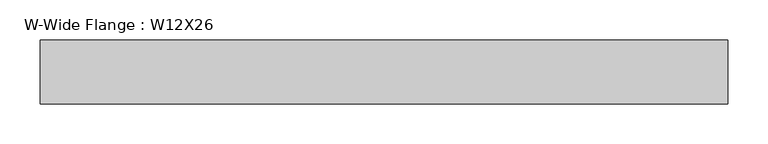
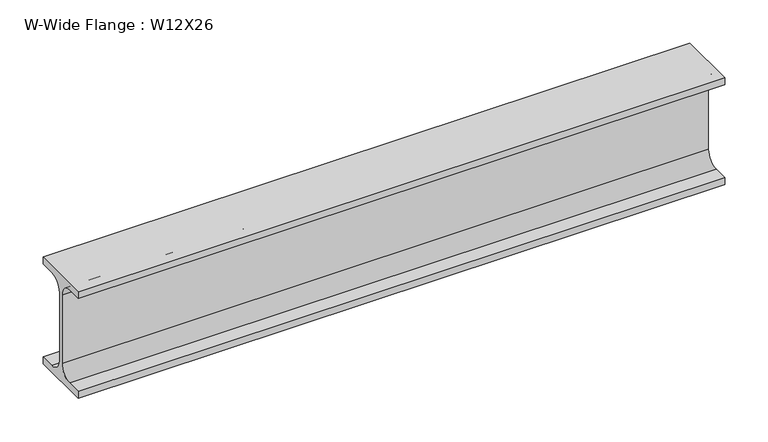
"""IFC4 building model written with IfcOpenShell, lengths in millimetres: beam geometry, W-Wide Flange : W12X26."""

from ifc_helpers import new_model, si_unit, point, frame, frame_2d, origin, place, context, project, spatial, polyline, circle_curve, trimmed, segment, composite_curve, outline, extrude, source, transform, mapped, element, save


def w_wide_flange_w12x26_3039e421(model_context):
    return source(origin(), model_context, "Body", "SweptSolid", [
        extrude(outline(composite_curve([segment(polyline([(40.0, -65.3757813), (40.0, -75.0), (-40.0, -75.0), (-40.0, -65.3757813), (-20.2902344, -65.3757813)]), True, "CONTINUOUS"), segment(trimmed(circle_curve(frame_2d((-20.2902344, -48.0125)), 17.3632812), [point((-20.2902344, -65.3757813))], [point((-2.9269531, -48.0125))], True, "CARTESIAN"), True, "CONTINUOUS"), segment(polyline([(-2.9269531, -48.0125), (-2.9269531, 48.0125)]), True, "CONTINUOUS"), segment(trimmed(circle_curve(frame_2d((-20.2902344, 48.0125)), 17.3632812), [point((-2.9269531, 48.0125))], [point((-20.2902344, 65.3757812))], True, "CARTESIAN"), True, "CONTINUOUS"), segment(polyline([(-20.2902344, 65.3757812), (-40.0, 65.3757812), (-40.0, 75.0), (40.0, 75.0), (40.0, 65.3757812), (20.2902344, 65.3757812)]), True, "CONTINUOUS"), segment(trimmed(circle_curve(frame_2d((20.2902344, 48.0125)), 17.3632812), [point((20.2902344, 65.3757812))], [point((2.9269531, 48.0125))], True, "CARTESIAN"), True, "CONTINUOUS"), segment(polyline([(2.9269531, 48.0125), (2.9269531, -48.0125)]), True, "CONTINUOUS"), segment(trimmed(circle_curve(frame_2d((20.2902344, -48.0125)), 17.3632812), [point((2.9269531, -48.0125))], [point((20.2902344, -65.3757813))], True, "CARTESIAN"), True, "CONTINUOUS"), segment(polyline([(20.2902344, -65.3757813), (40.0, -65.3757813)]), True, "CONTINUOUS")], self_intersect=False)), frame((-425.1509219, 0.0, 0.0), z_axis=(1.0, 0.0, 0.0), x_axis=(0.0, 1.0, 0.0)), (0.0, 0.0, 1.0), 859.1675232),
    ])


if __name__ == "__main__":
    model = new_model("IFC4")
    model_context = context("Model", 3, world=origin())
    ifc_project = project(units=[si_unit("LENGTHUNIT", "METRE", prefix="MILLI")], contexts=[model_context])
    site = spatial("IfcSite", under=ifc_project)
    building = spatial("IfcBuilding", under=site)
    placement = place(None, origin())
    w_wide_flange_w12x26_shape = w_wide_flange_w12x26_3039e421(model_context)
    element("IfcBeam", 1, ObjectType="W-Wide Flange : W12X26", at=placement, inside=building, context=model_context, shape_type="MappedRepresentation", body=[
        mapped(w_wide_flange_w12x26_shape, transform((0.0, 0.0, 0.0), x_axis=(1.0, 0.0, 0.0), y_axis=(0.0, 1.0, 0.0), z_axis=(0.0, 0.0, 1.0))),
    ])
    save(model, "model.ifc")
